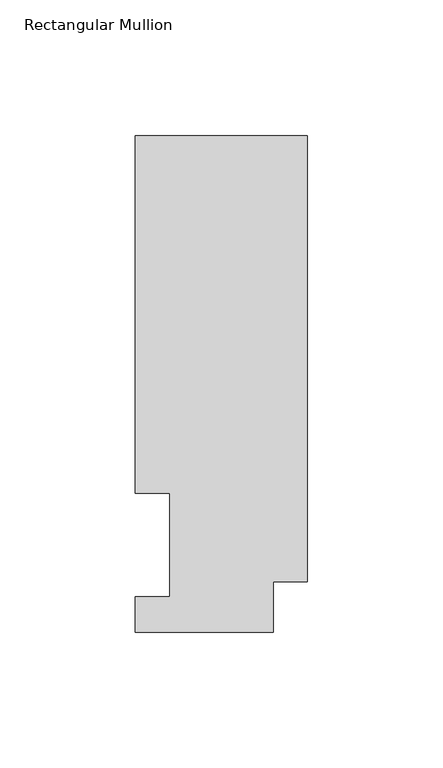
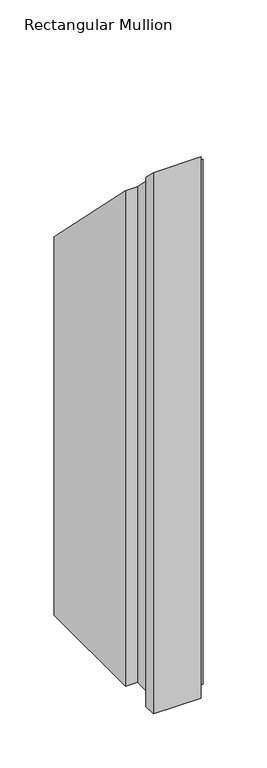
"""IFC4 building model written with IfcOpenShell, lengths in millimetres: member geometry, Rectangular Mullion."""

from ifc_helpers import new_model, si_unit, origin, place, context, project, spatial, faceted_brep, source, transform, mapped, element, save


def rectangular_mullion_660f3a2b(model_context):
    return source(origin(), model_context, "Body", "Brep", [
        faceted_brep([(0.0, 18.7332937, -609.6), (-12.7, 18.7332937, -609.6), (-12.7, 0.0134937, -609.6), (-63.5, 0.0134937, -609.6), (-63.5, 13.1960938, -609.6), (-50.8, 13.1960938, -609.6), (-50.8, 51.2960937, -609.6), (-63.5, 51.2960937, -609.6), (-63.5, 183.4446737, -609.6), (0.0, 183.4446737, -609.6), (0.0, 18.7332937, -18.7332937), (-12.7, 18.7332937, -18.7332937), (0.0, 183.4446737, -183.4446737), (-63.5, 183.4446737, -183.4446737), (-63.5, 51.2960937, -51.2960938), (-50.8, 51.2960937, -51.2960938), (-50.8, 13.1960938, -13.1960938), (-63.5, 13.1960938, -13.1960938), (-63.5, 0.0134937, -0.0134937), (-12.7, 0.0134937, -0.0134937)], [[[0, 1, 2, 3, 4, 5, 6, 7, 8, 9]], [[10, 11, 1, 0]], [[12, 10, 0, 9]], [[13, 12, 9, 8]], [[14, 13, 8, 7]], [[15, 14, 7, 6]], [[16, 15, 6, 5]], [[17, 16, 5, 4]], [[18, 17, 4, 3]], [[19, 18, 3, 2]], [[11, 19, 2, 1]], [[10, 12, 13, 14, 15, 16, 17, 18, 19, 11]]]),
    ])


if __name__ == "__main__":
    model = new_model("IFC4")
    model_context = context("Model", 3, world=origin())
    ifc_project = project(units=[si_unit("LENGTHUNIT", "METRE", prefix="MILLI")], contexts=[model_context])
    site = spatial("IfcSite", under=ifc_project)
    building = spatial("IfcBuilding", under=site)
    placement = place(None, origin())
    rectangular_mullion_shape = rectangular_mullion_660f3a2b(model_context)
    element("IfcMember", 1, ObjectType="Rectangular Mullion", at=placement, inside=building, context=model_context, shape_type="MappedRepresentation", body=[
        mapped(rectangular_mullion_shape, transform((0.0, 0.0, 0.0), x_axis=(1.0, 0.0, 0.0), y_axis=(0.0, 1.0, 0.0), z_axis=(0.0, 0.0, 1.0))),
    ])
    save(model, "model.ifc")
